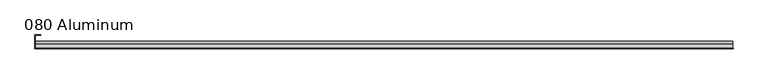
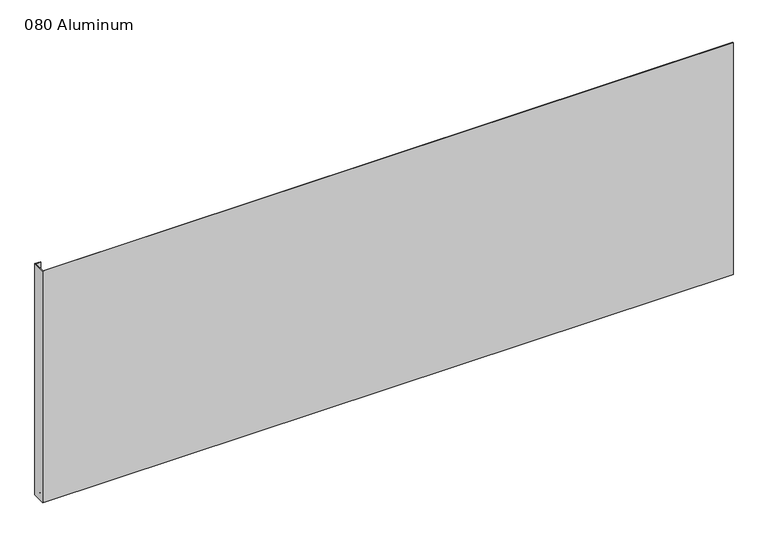
"""IFC4 building model written with IfcOpenShell, lengths in millimetres: plate geometry, 080 Aluminum."""

from ifc_helpers import new_model, si_unit, point, frame, frame_2d, origin, origin_with_axes, place, context, project, spatial, polyline, circle_curve, trimmed, segment, composite_curve, outline, extrude, source, transform, mapped, element, save


def plate_080_aluminum_c8961765(model_context):
    return source(origin(), model_context, "Body", "SweptSolid", [
        extrude(outline(polyline([(-874.4282742, -2.5660257), (-874.4282742, -34.7980001), (-875.6982741, -34.7980001), (-875.6982741, -1.2699999), (-861.5377736, -1.2699999), (-861.5377736, -2.5660257), (-874.4282742, -2.5660257)])), origin_with_axes(), (0.0, 0.0, 1.0), 621.03),
        extrude(outline(composite_curve([segment(polyline([(-16.6765477, 13.1458337), (-16.6765477, 2.786437), (-17.9464915, 2.786437), (-17.9464915, 13.1323356)]), True, "CONTINUOUS"), segment(trimmed(circle_curve(frame_2d((-19.8514743, 13.124237)), 1.905), [point((-17.9464915, 13.1323356))], [point((-21.7564743, 13.124237))], True, "CARTESIAN"), True, "CONTINUOUS"), segment(polyline([(-21.7564743, 13.124237), (-21.7564743, 0.0), (-34.7980002, 0.0), (-34.7980002, 1.2693678), (-23.0264743, 1.2693678), (-23.0264743, 13.124237)]), True, "CONTINUOUS"), segment(trimmed(circle_curve(frame_2d((-19.8514743, 13.124237)), 3.175), [point((-23.0264743, 13.124237))], [point((-16.6765477, 13.1458337))], False, "CARTESIAN"), True, "CONTINUOUS")], self_intersect=False)), frame((-874.4282742, 0.0, 0.0), z_axis=(1.0, 0.0, 0.0), x_axis=(0.0, 1.0, 0.0)), (0.0, 0.0, 1.0), 1748.8565483),
        extrude(outline(polyline([(-875.6982742, -36.068), (-875.6982742, -34.7980001), (875.6982742, -34.7980001), (875.6982742, -36.068), (-875.6982742, -36.068)])), origin_with_axes(), (0.0, 0.0, 1.0), 622.3),
    ])


if __name__ == "__main__":
    model = new_model("IFC4")
    model_context = context("Model", 3, world=origin())
    ifc_project = project(units=[si_unit("LENGTHUNIT", "METRE", prefix="MILLI")], contexts=[model_context])
    site = spatial("IfcSite", under=ifc_project)
    building = spatial("IfcBuilding", under=site)
    placement = place(None, origin())
    plate_080_aluminum_shape = plate_080_aluminum_c8961765(model_context)
    element("IfcPlate", 1, ObjectType="080 Aluminum", at=placement, inside=building, context=model_context, shape_type="MappedRepresentation", body=[
        mapped(plate_080_aluminum_shape, transform((0.0, 0.0, 0.0), x_axis=(1.0, 0.0, 0.0), y_axis=(0.0, 1.0, 0.0), z_axis=(0.0, 0.0, 1.0))),
    ])
    save(model, "model.ifc")
